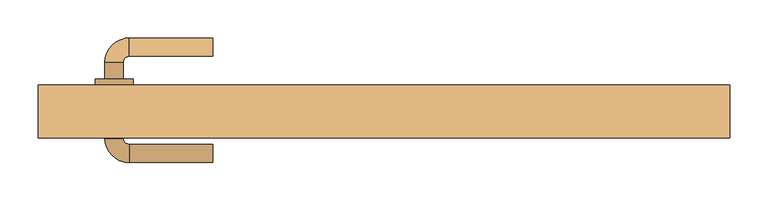
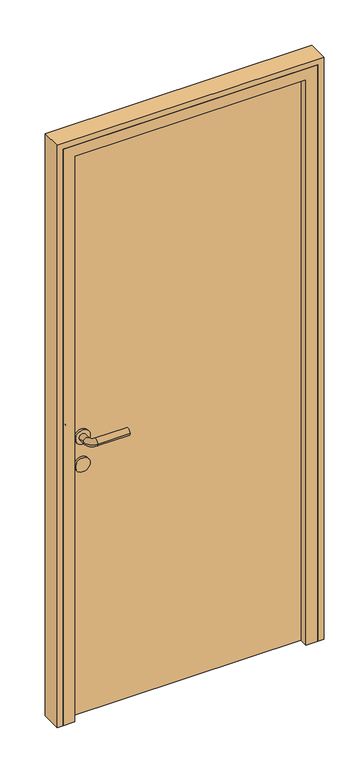
"""IFC4 building model written with IfcOpenShell, lengths in millimetres: door geometry."""

from ifc_helpers import new_model, si_unit, point, frame, frame_2d, origin, origin_with_axes, place, context, project, spatial, polyline, circle_curve, ellipse_curve, trimmed, segment, composite_curve, outline, extrude, faceted_brep, source, transform, mapped, element, save
from ifc_brep_helpers import plane_surface, cylinder_surface, revolved_surface, advanced_brep


def door_f5c723a2(model_context):
    return source(origin(), model_context, "Body", "SolidModel", [
        advanced_brep(
        [(-225.0, 187.0, 1000.0), (-225.0, 163.0, 1000.0), (-335.0, 187.0, 1000.0), (-335.0, 163.0, 1000.0), (-367.0, 155.0, 1000.0), (-343.0, 155.0, 1000.0), (-367.0, 133.0, 1000.0), (-343.0, 133.0, 1000.0), (-367.0, 55.0, 1000.0), (-343.0, 55.0, 1000.0), (-343.0, 77.0, 1000.0), (-367.0, 77.0, 1000.0), (-335.0, 23.0, 1000.0), (-335.0, 47.0, 1000.0), (-225.0, 23.0, 1000.0), (-225.0, 47.0, 1000.0), (-330.0, 77.0, 1000.0), (-380.0, 77.0, 1000.0), (-330.0, 133.0, 1000.0), (-380.0, 133.0, 1000.0)],
        [
            (0, 1, circle_curve(frame((-225.0, 175.0, 1000.0), z_axis=(1.0, 0.0, 0.0), x_axis=(0.0, -1.0, 0.0)), 12.0)),
            (1, 0, circle_curve(frame((-225.0, 175.0, 1000.0), z_axis=(1.0, 0.0, 0.0), x_axis=(0.0, -1.0, 0.0)), 12.0)),
            (0, 2),
            (2, 3, circle_curve(frame((-335.0, 175.0, 1000.0), z_axis=(1.0, 0.0, 0.0), x_axis=(0.0, -1.0, 0.0)), 12.0)),
            (3, 1),
            (3, 2, circle_curve(frame((-335.0, 175.0, 1000.0), z_axis=(1.0, 0.0, 0.0), x_axis=(0.0, -1.0, 0.0)), 12.0)),
            (2, 4, circle_curve(frame((-335.0, 155.0, 1000.0), z_axis=(0.0, 0.0, 1.0), x_axis=(0.0, 1.0, 0.0)), 32.0)),
            (4, 5, circle_curve(frame((-355.0, 155.0, 1000.0), z_axis=(0.0, 1.0, 0.0), x_axis=(1.0, 0.0, 0.0)), 12.0)),
            (5, 3, circle_curve(frame((-335.0, 155.0, 1000.0), z_axis=(0.0, 0.0, -1.0), x_axis=(0.0, 1.0, 0.0)), 8.0)),
            (5, 4, circle_curve(frame((-355.0, 155.0, 1000.0), z_axis=(0.0, 1.0, 0.0), x_axis=(1.0, 0.0, 0.0)), 12.0)),
            (4, 6),
            (6, 7, circle_curve(frame((-355.0, 133.0, 1000.0), z_axis=(0.0, 1.0, 0.0), x_axis=(1.0, 0.0, 0.0)), 12.0)),
            (7, 5),
            (8, 9, circle_curve(frame((-355.0, 55.0, 1000.0), z_axis=(0.0, 1.0, 0.0), x_axis=(1.0, 0.0, 0.0)), 12.0)),
            (9, 10),
            (10, 11, circle_curve(frame((-355.0, 77.0, 1000.0), z_axis=(0.0, -1.0, 0.0), x_axis=(1.0, 0.0, 0.0)), 12.0)),
            (11, 8),
            (7, 6, circle_curve(frame((-355.0, 133.0, 1000.0), z_axis=(0.0, 1.0, 0.0), x_axis=(1.0, 0.0, 0.0)), 12.0)),
            (9, 8, circle_curve(frame((-355.0, 55.0, 1000.0), z_axis=(0.0, 1.0, 0.0), x_axis=(1.0, 0.0, 0.0)), 12.0)),
            (11, 10, circle_curve(frame((-355.0, 77.0, 1000.0), z_axis=(0.0, -1.0, 0.0), x_axis=(1.0, 0.0, 0.0)), 12.0)),
            (8, 12, circle_curve(frame((-335.0, 55.0, 1000.0), z_axis=(0.0, 0.0, 1.0), x_axis=(-1.0, 0.0, 0.0)), 32.0)),
            (12, 13, circle_curve(frame((-335.0, 35.0, 1000.0), z_axis=(-1.0, 0.0, 0.0), x_axis=(0.0, 1.0, 0.0)), 12.0)),
            (13, 9, circle_curve(frame((-335.0, 55.0, 1000.0), z_axis=(0.0, 0.0, -1.0), x_axis=(-1.0, 0.0, 0.0)), 8.0)),
            (13, 12, circle_curve(frame((-335.0, 35.0, 1000.0), z_axis=(-1.0, 0.0, 0.0), x_axis=(0.0, 1.0, 0.0)), 12.0)),
            (14, 15, circle_curve(frame((-225.0, 35.0, 1000.0), z_axis=(1.0, 0.0, 0.0), x_axis=(0.0, 1.0, 0.0)), 12.0)),
            (15, 14, circle_curve(frame((-225.0, 35.0, 1000.0), z_axis=(1.0, 0.0, 0.0), x_axis=(0.0, 1.0, 0.0)), 12.0)),
            (12, 14),
            (15, 13),
            (16, 17, circle_curve(frame((-355.0, 77.0, 1000.0), z_axis=(0.0, -1.0, 0.0), x_axis=(-1.0, 0.0, 0.0)), 25.0)),
            (17, 16, circle_curve(frame((-355.0, 77.0, 1000.0), z_axis=(0.0, -1.0, 0.0), x_axis=(-1.0, 0.0, 0.0)), 25.0)),
            (18, 19, circle_curve(frame((-355.0, 133.0, 1000.0), z_axis=(0.0, 1.0, 0.0), x_axis=(-1.0, 0.0, 0.0)), 25.0)),
            (19, 18, circle_curve(frame((-355.0, 133.0, 1000.0), z_axis=(0.0, 1.0, 0.0), x_axis=(-1.0, 0.0, 0.0)), 25.0)),
            (16, 18),
            (19, 17),
        ],
        [
            plane_surface(frame((-225.0, 175.0, 1000.0), z_axis=(1.0, 0.0, 0.0), x_axis=(0.0, 0.0, 1.0))),
            cylinder_surface(frame((-225.0, 175.0, 1000.0), z_axis=(1.0, 0.0, 0.0), x_axis=(0.0, -1.0, 0.0)), 12.0),
            revolved_surface(trimmed(ellipse_curve(frame((-335.0, 175.0, 1000.0), z_axis=(1.0, 0.0, 0.0), x_axis=(0.0, -1.0, 0.0)), 12.0, 12.0), [point((-335.0, 187.0, 1000.0))], [point((-335.0, 163.0, 1000.0))], True, "CARTESIAN"), (-335.0, 155.0, 1000.0), (0.0, 0.0, 1.0)),
            revolved_surface(trimmed(ellipse_curve(frame((-335.0, 175.0, 1000.0), z_axis=(1.0, 0.0, 0.0), x_axis=(0.0, -1.0, 0.0)), 12.0, 12.0), [point((-335.0, 163.0, 1000.0))], [point((-335.0, 187.0, 1000.0))], True, "CARTESIAN"), (-335.0, 155.0, 1000.0), (0.0, 0.0, 1.0)),
            cylinder_surface(frame((-355.0, 155.0, 1000.0), z_axis=(0.0, 1.0, 0.0), x_axis=(1.0, 0.0, 0.0)), 12.0),
            revolved_surface(trimmed(ellipse_curve(frame((-355.0, 55.0, 1000.0), z_axis=(0.0, 1.0, 0.0), x_axis=(1.0, 0.0, 0.0)), 12.0, 12.0), [point((-367.0, 55.0, 1000.0))], [point((-343.0, 55.0, 1000.0))], True, "CARTESIAN"), (-335.0, 55.0, 1000.0), (0.0, 0.0, 1.0)),
            revolved_surface(trimmed(ellipse_curve(frame((-355.0, 55.0, 1000.0), z_axis=(0.0, 1.0, 0.0), x_axis=(1.0, 0.0, 0.0)), 12.0, 12.0), [point((-343.0, 55.0, 1000.0))], [point((-367.0, 55.0, 1000.0))], True, "CARTESIAN"), (-335.0, 55.0, 1000.0), (0.0, 0.0, 1.0)),
            plane_surface(frame((-225.0, 35.0, 1000.0), z_axis=(1.0, 0.0, 0.0), x_axis=(0.0, 0.0, 1.0))),
            cylinder_surface(frame((-335.0, 35.0, 1000.0), z_axis=(-1.0, 0.0, 0.0), x_axis=(0.0, 1.0, 0.0)), 12.0),
            plane_surface(frame((-380.0, 77.0, 1000.0), z_axis=(0.0, -1.0, 0.0), x_axis=(0.0, 0.0, -1.0))),
            plane_surface(frame((-380.0, 133.0, 1000.0), z_axis=(0.0, 1.0, 0.0), x_axis=(0.0, 0.0, 1.0))),
            cylinder_surface(frame((-355.0, 77.0, 1000.0), z_axis=(0.0, 1.0, 0.0), x_axis=(-1.0, 0.0, 0.0)), 25.0),
        ],
        [
            (0, [[1, 2]]),
            (1, [[-1, 3, 4, 5]]),
            (1, [[-2, -5, 6, -3]]),
            (2, [[-4, 7, 8, 9]]),
            (3, [[-6, -9, 10, -7]]),
            (4, [[-8, 11, 12, 13]]),
            (4, [[14, 15, 16, 17]]),
            (4, [[-10, -13, 18, -11]]),
            (4, [[19, -17, 20, -15]]),
            (5, [[-14, 21, 22, 23]]),
            (6, [[-19, -23, 24, -21]]),
            (7, [[25, 26]]),
            (8, [[-22, 27, -26, 28]]),
            (8, [[-24, -28, -25, -27]]),
            (9, [[29, 30], [-16, -20]]),
            (10, [[31, 32], [-12, -18]]),
            (11, [[-29, 33, -32, 34]]),
            (11, [[-30, -34, -31, -33]]),
        ],
    ),
        extrude(outline(composite_curve([segment(trimmed(circle_curve(frame_2d((900.0, -355.0)), 25.0), [point((900.0, -330.0))], [point((900.0, -380.0))], False, "CARTESIAN"), True, "CONTINUOUS"), segment(trimmed(circle_curve(frame_2d((900.0, -355.0)), 25.0), [point((900.0, -380.0))], [point((900.0, -330.0))], False, "CARTESIAN"), True, "CONTINUOUS")], self_intersect=False)), frame((0.0, 77.0, 0.0), z_axis=(0.0, 1.0, 0.0), x_axis=(0.0, 0.0, 1.0)), (0.0, 0.0, 1.0), 56.0),
        extrude(outline(polyline([(405.0, 85.0), (-405.0, 85.0), (-405.0, 125.0), (405.0, 125.0), (405.0, 85.0)])), origin_with_axes(), (0.0, 0.0, 1.0), 2050.0),
        extrude(outline(polyline([(0.0, 455.0), (2100.0, 455.0), (2100.0, -455.0), (0.0, -455.0), (0.0, -435.0), (2080.0, -435.0), (2080.0, 435.0), (0.0, 435.0), (0.0, 455.0)])), frame((0.0, 55.0, 0.0), z_axis=(0.0, 1.0, 0.0), x_axis=(0.0, 0.0, 1.0)), (0.0, 0.0, 1.0), 70.0),
        faceted_brep([(-435.0, 55.0, 0.0), (-435.0, 125.0, 0.0), (-405.0, 125.0, 0.0), (-405.0, 85.0, 0.0), (-395.0, 85.0, 0.0), (-395.0, 55.0, 0.0), (-435.0, 55.0, 2080.0), (-435.0, 125.0, 2080.0), (435.0, 125.0, 2080.0), (435.0, 125.0, 0.0), (405.0, 125.0, 0.0), (405.0, 125.0, 2050.0), (-405.0, 125.0, 2050.0), (-405.0, 85.0, 2050.0), (405.0, 85.0, 2050.0), (405.0, 85.0, 0.0), (395.0, 85.0, 0.0), (395.0, 85.0, 2040.0), (-395.0, 85.0, 2040.0), (-395.0, 55.0, 2040.0), (395.0, 55.0, 2040.0), (395.0, 55.0, 0.0), (435.0, 55.0, 0.0), (435.0, 55.0, 2080.0)], [[[0, 1, 2, 3, 4, 5]], [[1, 0, 6, 7]], [[2, 1, 7, 8, 9, 10, 11, 12]], [[3, 2, 12, 13]], [[4, 3, 13, 14, 15, 16, 17, 18]], [[5, 4, 18, 19]], [[0, 5, 19, 20, 21, 22, 23, 6]], [[7, 6, 23, 8]], [[13, 12, 11, 14]], [[19, 18, 17, 20]], [[22, 21, 16, 15, 10, 9]], [[8, 23, 22, 9]], [[14, 11, 10, 15]], [[20, 17, 16, 21]]]),
    ])


if __name__ == "__main__":
    model = new_model("IFC4")
    model_context = context("Model", 3, world=origin())
    ifc_project = project(units=[si_unit("LENGTHUNIT", "METRE", prefix="MILLI")], contexts=[model_context])
    site = spatial("IfcSite", under=ifc_project)
    building = spatial("IfcBuilding", under=site)
    placement = place(None, origin())
    door_shape = door_f5c723a2(model_context)
    element("IfcDoor", 1, at=placement, inside=building, context=model_context, shape_type="MappedRepresentation", body=[
        mapped(door_shape, transform((0.0, 0.0, 0.0), x_axis=(1.0, 0.0, 0.0), y_axis=(0.0, 1.0, 0.0), z_axis=(0.0, 0.0, 1.0))),
    ])
    save(model, "model.ifc")
